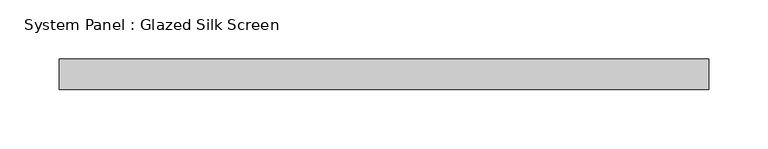
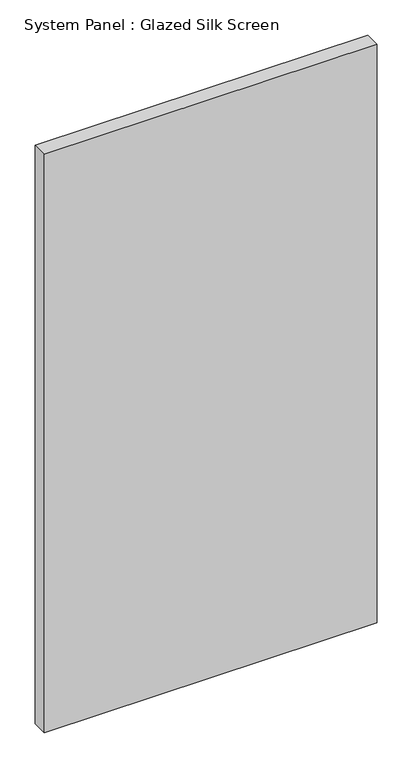
"""IFC4 building model written with IfcOpenShell, lengths in millimetres: plate geometry, System Panel : Glazed Silk Screen."""

from ifc_helpers import new_model, si_unit, origin, origin_with_axes, place, context, project, spatial, polyline, outline, extrude, source, transform, mapped, element, save


def system_panel_glazed_silk_screen_d44eaf9b(model_context):
    return source(origin(), model_context, "Body", "SweptSolid", [
        extrude(outline(polyline([(273.05, 19.05), (-273.05, 19.05), (-273.05, 44.45), (273.05, 44.45), (273.05, 19.05)])), origin_with_axes(), (0.0, 0.0, 1.0), 1003.3),
    ])


if __name__ == "__main__":
    model = new_model("IFC4")
    model_context = context("Model", 3, world=origin())
    ifc_project = project(units=[si_unit("LENGTHUNIT", "METRE", prefix="MILLI")], contexts=[model_context])
    site = spatial("IfcSite", under=ifc_project)
    building = spatial("IfcBuilding", under=site)
    placement = place(None, origin())
    system_panel_glazed_silk_screen_shape = system_panel_glazed_silk_screen_d44eaf9b(model_context)
    element("IfcPlate", 1, ObjectType="System Panel : Glazed Silk Screen", at=placement, inside=building, context=model_context, shape_type="MappedRepresentation", body=[
        mapped(system_panel_glazed_silk_screen_shape, transform((0.0, 0.0, 0.0), x_axis=(1.0, 0.0, 0.0), y_axis=(0.0, 1.0, 0.0), z_axis=(0.0, 0.0, 1.0))),
    ])
    save(model, "model.ifc")
